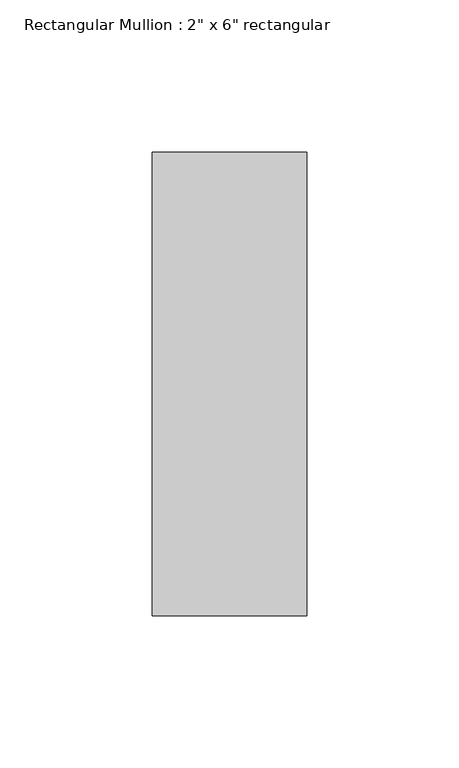
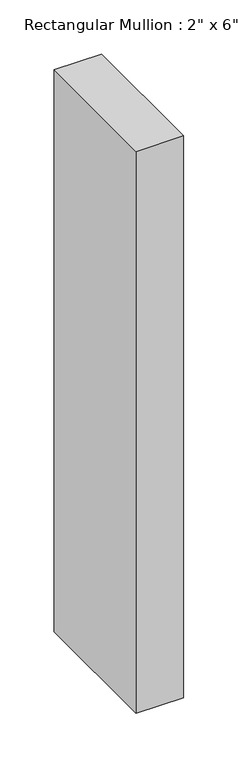
"""IFC4 building model written with IfcOpenShell, lengths in millimetres: member geometry."""

from ifc_helpers import new_model, si_unit, frame, origin, place, context, project, spatial, polyline, outline, extrude, source, transform, mapped, element, save


def member_a3fe6aa8(model_context):
    return source(origin(), model_context, "Body", "SweptSolid", [
        extrude(outline(polyline([(0.0, 76.2), (0.0, -76.2), (-50.8, -76.2), (-50.8, 76.2), (0.0, 76.2)])), frame((0.0, 0.0, -635.0), z_axis=(0.0, 0.0, 1.0), x_axis=(1.0, 0.0, 0.0)), (0.0, 0.0, 1.0), 635.0),
    ])


if __name__ == "__main__":
    model = new_model("IFC4")
    model_context = context("Model", 3, world=origin())
    ifc_project = project(units=[si_unit("LENGTHUNIT", "METRE", prefix="MILLI")], contexts=[model_context])
    site = spatial("IfcSite", under=ifc_project)
    building = spatial("IfcBuilding", under=site)
    placement = place(None, origin())
    member_shape = member_a3fe6aa8(model_context)
    element("IfcMember", 1, ObjectType="Rectangular Mullion : 2\" x 6\" rectangular", at=placement, inside=building, context=model_context, shape_type="MappedRepresentation", body=[
        mapped(member_shape, transform((0.0, 0.0, 0.0), x_axis=(1.0, 0.0, 0.0), y_axis=(0.0, 1.0, 0.0), z_axis=(0.0, 0.0, 1.0))),
    ])
    save(model, "model.ifc")
